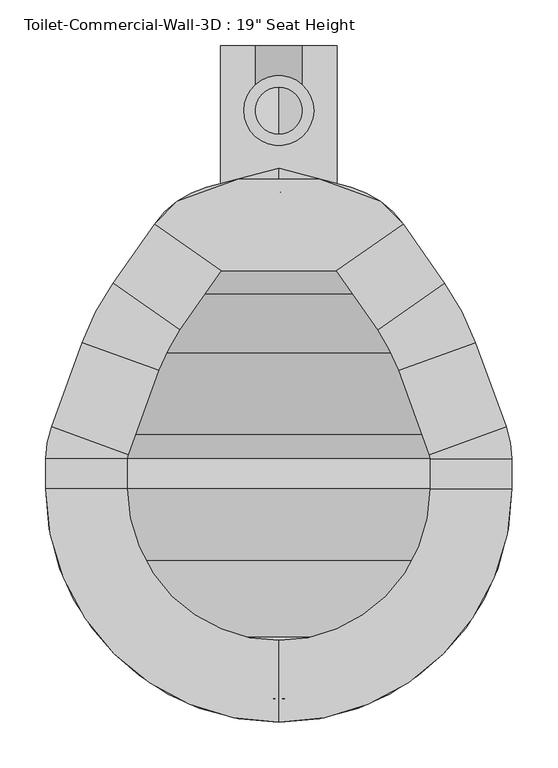
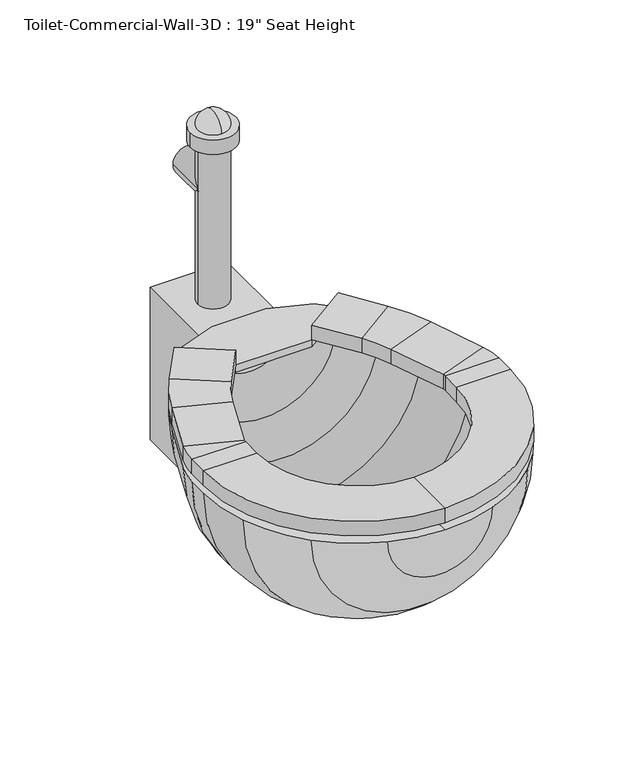
"""IFC4 building model written with IfcOpenShell, lengths in millimetres: flow terminal geometry."""

from ifc_helpers import new_model, si_unit, point, frame, frame_2d, origin, place, context, project, spatial, polyline, circle_curve, ellipse_curve, trimmed, segment, composite_curve, outline, extrude, source, transform, mapped, element, save
from ifc_brep_helpers import plane_surface, cylinder_surface, revolved_surface, advanced_brep


def flow_terminal_09af9000(model_context):
    return source(origin(), model_context, "Body", "SolidModel", [
        extrude(outline(polyline([(467.7541169, -397.4347495), (342.0521907, -397.4347495), (269.229574, -346.4438043), (294.1800557, -321.4933226), (360.2423986, -297.4485961), (449.563909, -297.4485961), (515.6262519, -321.4933226), (540.5767337, -346.4438043), (467.7541169, -397.4347495)])), frame((0.0, 0.0, 444.5), z_axis=(0.0, 0.0, 1.0), x_axis=(1.0, 0.0, 0.0)), (0.0, 0.0, 1.0), 12.7),
        advanced_brep(
        [(467.7541169, -397.4347495, 457.2), (467.7541169, -397.4347495, 482.6), (540.5767337, -346.4438043, 482.6), (540.5767337, -346.4438043, 457.2), (585.6810159, -410.8593951, 457.2), (512.8583992, -461.8503403, 457.2), (585.6810159, -410.8593951, 482.6), (512.8583992, -461.8503403, 482.6), (619.360053, -475.5562234, 457.2), (535.821379, -505.9618141, 457.2), (619.360053, -475.5562234, 482.6), (535.821379, -505.9618141, 482.6), (652.7759241, -567.3655747, 457.2), (569.2372501, -597.7711654, 457.2), (652.7759241, -567.3655747, 482.6), (569.2372501, -597.7711654, 482.6), (658.9031538, -602.1148212, 457.2), (570.0031538, -602.1148212, 457.2), (658.9031538, -602.1148212, 482.6), (570.0031538, -602.1148212, 482.6), (658.9031538, -635.0, 457.2), (570.0031538, -635.0, 457.2), (658.9031538, -635.0, 482.6), (570.0031538, -635.0, 482.6), (404.9031538, -889.0, 457.2), (404.9031538, -800.1, 457.2), (404.9031538, -889.0, 482.6), (404.9031538, -800.1, 482.6), (150.9031538, -635.0, 457.2), (239.8031538, -635.0, 457.2), (150.9031538, -635.0, 482.6), (239.8031538, -635.0, 482.6), (150.9031538, -602.1148212, 457.2), (239.8031538, -602.1148212, 457.2), (150.9031538, -602.1148212, 482.6), (239.8031538, -602.1148212, 482.6), (157.0303835, -567.3655747, 457.2), (240.5690575, -597.7711654, 457.2), (157.0303835, -567.3655747, 482.6), (240.5690575, -597.7711654, 482.6), (190.4462546, -475.5562234, 457.2), (273.9849286, -505.9618141, 457.2), (190.4462546, -475.5562234, 482.6), (273.9849286, -505.9618141, 482.6), (224.1252917, -410.8593951, 457.2), (296.9479084, -461.8503403, 457.2), (224.1252917, -410.8593951, 482.6), (296.9479084, -461.8503403, 482.6), (342.0521907, -397.4347495, 457.2), (269.229574, -346.4438043, 457.2), (269.229574, -346.4438043, 482.6), (342.0521907, -397.4347495, 482.6)],
        [
            (0, 1),
            (1, 2),
            (2, 3),
            (3, 0),
            (3, 4),
            (4, 5),
            (5, 0),
            (2, 6),
            (6, 4),
            (1, 7),
            (7, 6),
            (5, 7),
            (8, 9),
            (9, 5, circle_curve(frame((356.8099347, -571.1166514, 457.2), z_axis=(0.0, 0.0, 1.0), x_axis=(0.81915204428899, 0.5735764363510486, 0.0)), 190.5)),
            (4, 8, circle_curve(frame((356.8099347, -571.1166514, 457.2), z_axis=(0.0, 0.0, -1.0), x_axis=(0.81915204428899, 0.5735764363510486, 0.0)), 279.4)),
            (10, 8),
            (6, 10, circle_curve(frame((356.8099347, -571.1166514, 482.6), z_axis=(0.0, 0.0, -1.0), x_axis=(0.81915204428899, 0.5735764363510486, 0.0)), 279.4)),
            (11, 10),
            (7, 11, circle_curve(frame((356.8099347, -571.1166514, 482.6), z_axis=(0.0, 0.0, -1.0), x_axis=(0.81915204428899, 0.5735764363510486, 0.0)), 190.5)),
            (9, 11),
            (8, 12),
            (12, 13),
            (13, 9),
            (10, 14),
            (14, 12),
            (11, 15),
            (15, 14),
            (13, 15),
            (16, 17),
            (17, 13, circle_curve(frame((557.3031538, -602.1148212, 457.2), z_axis=(0.0, 0.0, 1.0), x_axis=(0.939692620785906, 0.34202014332567526, 0.0)), 12.7)),
            (12, 16, circle_curve(frame((557.3031538, -602.1148212, 457.2), z_axis=(0.0, 0.0, -1.0), x_axis=(0.939692620785906, 0.34202014332567526, 0.0)), 101.6)),
            (18, 16),
            (14, 18, circle_curve(frame((557.3031538, -602.1148212, 482.6), z_axis=(0.0, 0.0, -1.0), x_axis=(0.939692620785906, 0.34202014332567526, 0.0)), 101.6)),
            (19, 18),
            (15, 19, circle_curve(frame((557.3031538, -602.1148212, 482.6), z_axis=(0.0, 0.0, -1.0), x_axis=(0.939692620785906, 0.34202014332567526, 0.0)), 12.7)),
            (17, 19),
            (16, 20),
            (20, 21),
            (21, 17),
            (18, 22),
            (22, 20),
            (19, 23),
            (23, 22),
            (21, 23),
            (24, 25),
            (25, 21, circle_curve(frame((404.9031538, -635.0, 457.2), z_axis=(0.0, 0.0, 1.0), x_axis=(1.0, 0.0, 0.0)), 165.1)),
            (20, 24, circle_curve(frame((404.9031538, -635.0, 457.2), z_axis=(0.0, 0.0, -1.0), x_axis=(1.0, 0.0, 0.0)), 254.0)),
            (26, 24),
            (22, 26, circle_curve(frame((404.9031538, -635.0, 482.6), z_axis=(0.0, 0.0, -1.0), x_axis=(1.0, 0.0, 0.0)), 254.0)),
            (27, 26),
            (23, 27, circle_curve(frame((404.9031538, -635.0, 482.6), z_axis=(0.0, 0.0, -1.0), x_axis=(1.0, 0.0, 0.0)), 165.1)),
            (25, 27),
            (28, 29),
            (29, 25, circle_curve(frame((404.9031538, -635.0, 457.2), z_axis=(0.0, 0.0, 1.0), x_axis=(0.0, -1.0, 0.0)), 165.1)),
            (24, 28, circle_curve(frame((404.9031538, -635.0, 457.2), z_axis=(0.0, 0.0, -1.0), x_axis=(0.0, -1.0, 0.0)), 254.0)),
            (30, 28),
            (26, 30, circle_curve(frame((404.9031538, -635.0, 482.6), z_axis=(0.0, 0.0, -1.0), x_axis=(0.0, -1.0, 0.0)), 254.0)),
            (31, 30),
            (27, 31, circle_curve(frame((404.9031538, -635.0, 482.6), z_axis=(0.0, 0.0, -1.0), x_axis=(0.0, -1.0, 0.0)), 165.1)),
            (29, 31),
            (28, 32),
            (32, 33),
            (33, 29),
            (30, 34),
            (34, 32),
            (31, 35),
            (35, 34),
            (33, 35),
            (36, 37),
            (37, 33, circle_curve(frame((252.5031538, -602.1148212, 457.2), z_axis=(0.0, 0.0, 1.0), x_axis=(-1.0, 0.0, 0.0)), 12.7)),
            (32, 36, circle_curve(frame((252.5031538, -602.1148212, 457.2), z_axis=(0.0, 0.0, -1.0), x_axis=(-1.0, 0.0, 0.0)), 101.6)),
            (38, 36),
            (34, 38, circle_curve(frame((252.5031538, -602.1148212, 482.6), z_axis=(0.0, 0.0, -1.0), x_axis=(-1.0, 0.0, 0.0)), 101.6)),
            (39, 38),
            (35, 39, circle_curve(frame((252.5031538, -602.1148212, 482.6), z_axis=(0.0, 0.0, -1.0), x_axis=(-1.0, 0.0, 0.0)), 12.7)),
            (37, 39),
            (36, 40),
            (40, 41),
            (41, 37),
            (38, 42),
            (42, 40),
            (39, 43),
            (43, 42),
            (41, 43),
            (44, 45),
            (45, 41, circle_curve(frame((452.9963729, -571.1166514, 457.2), z_axis=(0.0, 0.0, 1.0), x_axis=(-0.9396926207859088, 0.34202014332566766, 0.0)), 190.5)),
            (40, 44, circle_curve(frame((452.9963729, -571.1166514, 457.2), z_axis=(0.0, 0.0, -1.0), x_axis=(-0.9396926207859088, 0.34202014332566766, 0.0)), 279.4)),
            (46, 44),
            (42, 46, circle_curve(frame((452.9963729, -571.1166514, 482.6), z_axis=(0.0, 0.0, -1.0), x_axis=(-0.9396926207859088, 0.34202014332566766, 0.0)), 279.4)),
            (47, 46),
            (43, 47, circle_curve(frame((452.9963729, -571.1166514, 482.6), z_axis=(0.0, 0.0, -1.0), x_axis=(-0.9396926207859088, 0.34202014332566766, 0.0)), 190.5)),
            (45, 47),
            (48, 49),
            (49, 50),
            (50, 51),
            (51, 48),
            (44, 49),
            (48, 45),
            (46, 50),
            (47, 51),
        ],
        [
            plane_surface(frame((540.5767337, -346.4438043, 541.2203184), z_axis=(-0.5735764363510383, 0.8191520442889972, 0.0), x_axis=(0.8191520442889972, 0.5735764363510383, 0.0))),
            plane_surface(frame((467.7541169, -397.4347495, 457.2), z_axis=(0.0, 0.0, -1.0000000000000002), x_axis=(0.5735764363510378, -0.8191520442889977, 0.0))),
            plane_surface(frame((540.5767337, -346.4438043, 457.2), z_axis=(0.8191520442889969, 0.5735764363510387, 0.0), x_axis=(0.5735764363510387, -0.8191520442889969, 0.0))),
            plane_surface(frame((540.5767337, -346.4438043, 482.6), z_axis=(0.0, 0.0, 1.0), x_axis=(0.5735764363510382, -0.8191520442889973, 0.0))),
            plane_surface(frame((467.7541169, -397.4347495, 482.6), z_axis=(-0.8191520442889973, -0.5735764363510382, 0.0), x_axis=(0.5735764363510382, -0.8191520442889973, 0.0))),
            plane_surface(frame((356.8099347, -571.1166514, 457.2), z_axis=(0.0, 0.0, -1.0), x_axis=(0.81915204428899, 0.5735764363510486, 0.0))),
            cylinder_surface(frame((356.8099347, -571.1166514, 444.5), z_axis=(0.0, 0.0, 1.0), x_axis=(0.81915204428899, 0.5735764363510486, 0.0)), 279.4),
            plane_surface(frame((356.8099347, -571.1166514, 482.6), z_axis=(0.0, 0.0, 1.0), x_axis=(0.81915204428899, 0.5735764363510486, 0.0))),
            revolved_surface(polyline([(512.8583991370526, -461.8503402751253, 482.6), (512.8583991370526, -461.8503402751253, 457.2)]), (356.8099347, -571.1166514, 444.5), (0.0, 0.0, 1.0)),
            plane_surface(frame((535.821379, -505.9618141, 457.2), z_axis=(0.0, 0.0, -1.0), x_axis=(0.34202014332566494, -0.9396926207859098, 0.0))),
            plane_surface(frame((619.360053, -475.5562234, 457.2), z_axis=(0.9396926207859094, 0.34202014332566594, 0.0), x_axis=(0.34202014332566594, -0.9396926207859094, 0.0))),
            plane_surface(frame((619.360053, -475.5562234, 482.6), z_axis=(0.0, 0.0, 1.0), x_axis=(0.34202014332566427, -0.93969262078591, 0.0))),
            plane_surface(frame((535.821379, -505.9618141, 482.6), z_axis=(-0.9396926207859093, -0.34202014332566644, 0.0), x_axis=(0.34202014332566644, -0.9396926207859093, 0.0))),
            plane_surface(frame((557.3031538, -602.1148212, 457.2), z_axis=(0.0, 0.0, -1.0), x_axis=(0.939692620785906, 0.34202014332567526, 0.0))),
            cylinder_surface(frame((557.3031538, -602.1148212, 444.5), z_axis=(0.0, 0.0, 1.0), x_axis=(0.939692620785906, 0.34202014332567526, 0.0)), 101.6),
            plane_surface(frame((557.3031538, -602.1148212, 482.6), z_axis=(0.0, 0.0, 1.0), x_axis=(0.939692620785906, 0.34202014332567526, 0.0))),
            revolved_surface(polyline([(569.237250083981, -597.7711653797639, 482.6), (569.237250083981, -597.7711653797639, 457.2)]), (557.3031538, -602.1148212, 444.5), (0.0, 0.0, 1.0)),
            plane_surface(frame((570.0031538, -602.1148212, 457.2), z_axis=(0.0, 0.0, -1.0), x_axis=(0.0, -1.0, 0.0))),
            plane_surface(frame((658.9031538, -602.1148212, 457.2), z_axis=(1.0, 0.0, 0.0), x_axis=(0.0, -1.0, 0.0))),
            plane_surface(frame((658.9031538, -602.1148212, 482.6), z_axis=(0.0, 0.0, 1.0), x_axis=(0.0, -1.0, 0.0))),
            plane_surface(frame((570.0031538, -602.1148212, 482.6), z_axis=(-1.0, 0.0, 0.0), x_axis=(0.0, -1.0, 0.0))),
            plane_surface(frame((404.9031538, -635.0, 457.2), z_axis=(0.0, 0.0, -1.0), x_axis=(1.0, 0.0, 0.0))),
            cylinder_surface(frame((404.9031538, -635.0, 444.5), z_axis=(0.0, 0.0, 1.0), x_axis=(1.0, 0.0, 0.0)), 254.0),
            plane_surface(frame((404.9031538, -635.0, 482.6), z_axis=(0.0, 0.0, 1.0), x_axis=(1.0, 0.0, 0.0))),
            revolved_surface(polyline([(570.0031538, -635.0, 482.6), (570.0031538, -635.0, 457.2)]), (404.9031538, -635.0, 444.5), (0.0, 0.0, 1.0)),
            plane_surface(frame((404.9031538, -635.0, 457.2), z_axis=(0.0, 0.0, -1.0), x_axis=(0.0, -1.0, 0.0))),
            cylinder_surface(frame((404.9031538, -635.0, 444.5), z_axis=(0.0, 0.0, 1.0), x_axis=(0.0, -1.0, 0.0)), 254.0),
            plane_surface(frame((404.9031538, -635.0, 482.6), z_axis=(0.0, 0.0, 1.0), x_axis=(0.0, -1.0, 0.0))),
            revolved_surface(polyline([(404.9031538, -800.1, 482.6), (404.9031538, -800.1, 457.2)]), (404.9031538, -635.0, 444.5), (0.0, 0.0, 1.0)),
            plane_surface(frame((239.8031538, -635.0, 457.2), z_axis=(0.0, 0.0, -1.0), x_axis=(0.0, 1.0, 0.0))),
            plane_surface(frame((150.9031538, -635.0, 457.2), z_axis=(-1.0, 0.0, 0.0), x_axis=(0.0, 1.0, 0.0))),
            plane_surface(frame((150.9031538, -635.0, 482.6), z_axis=(0.0, 0.0, 1.0), x_axis=(0.0, 1.0, 0.0))),
            plane_surface(frame((239.8031538, -635.0, 482.6), z_axis=(1.0, 0.0, 0.0), x_axis=(0.0, 1.0, 0.0))),
            plane_surface(frame((252.5031538, -602.1148212, 457.2), z_axis=(0.0, 0.0, -1.0), x_axis=(-1.0, 0.0, 0.0))),
            cylinder_surface(frame((252.5031538, -602.1148212, 444.5), z_axis=(0.0, 0.0, 1.0), x_axis=(-1.0, 0.0, 0.0)), 101.6),
            plane_surface(frame((252.5031538, -602.1148212, 482.6), z_axis=(0.0, 0.0, 1.0), x_axis=(-1.0, 0.0, 0.0))),
            revolved_surface(polyline([(239.80315380000002, -602.1148212, 482.6), (239.80315380000002, -602.1148212, 457.2)]), (252.5031538, -602.1148212, 444.5), (0.0, 0.0, 1.0)),
            plane_surface(frame((240.5690575, -597.7711654, 457.2), z_axis=(0.0, 0.0, -1.0), x_axis=(0.34202014332565595, 0.9396926207859131, 0.0))),
            plane_surface(frame((157.0303835, -567.3655747, 457.2), z_axis=(-0.9396926207859132, 0.34202014332565545, 0.0), x_axis=(0.34202014332565545, 0.9396926207859132, 0.0))),
            plane_surface(frame((157.0303835, -567.3655747, 482.6), z_axis=(0.0, 0.0, 1.0000000000000002), x_axis=(0.3420201433256561, 0.9396926207859131, 0.0))),
            plane_surface(frame((240.5690575, -597.7711654, 482.6), z_axis=(0.9396926207859132, -0.34202014332565567, 0.0), x_axis=(0.34202014332565567, 0.9396926207859132, 0.0))),
            plane_surface(frame((452.9963729, -571.1166514, 457.2), z_axis=(0.0, 0.0, -1.0), x_axis=(-0.9396926207859088, 0.34202014332566766, 0.0))),
            cylinder_surface(frame((452.9963729, -571.1166514, 444.5), z_axis=(0.0, 0.0, 1.0), x_axis=(-0.9396926207859088, 0.34202014332566766, 0.0)), 279.4),
            plane_surface(frame((452.9963729, -571.1166514, 482.6), z_axis=(0.0, 0.0, 1.0), x_axis=(-0.9396926207859088, 0.34202014332566766, 0.0))),
            revolved_surface(polyline([(273.98492864028435, -505.96181409646033, 482.6), (273.98492864028435, -505.96181409646033, 457.2)]), (452.9963729, -571.1166514, 444.5), (0.0, 0.0, 1.0)),
            plane_surface(frame((269.229574, -346.4438043, 347.7796816), z_axis=(0.5735764363510499, 0.8191520442889892, 0.0), x_axis=(0.8191520442889892, -0.5735764363510499, 0.0))),
            plane_surface(frame((296.9479084, -461.8503403, 457.2), z_axis=(0.0, 0.0, -1.0000000000000002), x_axis=(0.5735764363510494, 0.8191520442889896, 0.0))),
            plane_surface(frame((224.1252917, -410.8593951, 457.2), z_axis=(-0.819152044288989, 0.5735764363510502, 0.0), x_axis=(0.5735764363510502, 0.819152044288989, 0.0))),
            plane_surface(frame((224.1252917, -410.8593951, 482.6), z_axis=(0.0, 0.0, 1.0000000000000002), x_axis=(0.5735764363510502, 0.819152044288989, 0.0))),
            plane_surface(frame((296.9479084, -461.8503403, 482.6), z_axis=(0.8191520442889896, -0.5735764363510494, 0.0), x_axis=(0.5735764363510494, 0.8191520442889896, 0.0))),
        ],
        [
            (0, [[1, 2, 3, 4]]),
            (1, [[5, 6, 7, -4]]),
            (2, [[8, 9, -5, -3]]),
            (3, [[10, 11, -8, -2]]),
            (4, [[-7, 12, -10, -1]]),
            (5, [[13, 14, -6, 15]]),
            (6, [[16, -15, -9, 17]]),
            (7, [[18, -17, -11, 19]]),
            (8, [[20, -19, -12, -14]]),
            (9, [[21, 22, 23, -13]]),
            (10, [[24, 25, -21, -16]]),
            (11, [[26, 27, -24, -18]]),
            (12, [[-23, 28, -26, -20]]),
            (13, [[29, 30, -22, 31]]),
            (14, [[32, -31, -25, 33]]),
            (15, [[34, -33, -27, 35]]),
            (16, [[36, -35, -28, -30]]),
            (17, [[37, 38, 39, -29]]),
            (18, [[40, 41, -37, -32]]),
            (19, [[42, 43, -40, -34]]),
            (20, [[-39, 44, -42, -36]]),
            (21, [[45, 46, -38, 47]]),
            (22, [[48, -47, -41, 49]]),
            (23, [[50, -49, -43, 51]]),
            (24, [[52, -51, -44, -46]]),
            (25, [[53, 54, -45, 55]]),
            (26, [[56, -55, -48, 57]]),
            (27, [[58, -57, -50, 59]]),
            (28, [[60, -59, -52, -54]]),
            (29, [[61, 62, 63, -53]]),
            (30, [[64, 65, -61, -56]]),
            (31, [[66, 67, -64, -58]]),
            (32, [[-63, 68, -66, -60]]),
            (33, [[69, 70, -62, 71]]),
            (34, [[72, -71, -65, 73]]),
            (35, [[74, -73, -67, 75]]),
            (36, [[76, -75, -68, -70]]),
            (37, [[77, 78, 79, -69]]),
            (38, [[80, 81, -77, -72]]),
            (39, [[82, 83, -80, -74]]),
            (40, [[-79, 84, -82, -76]]),
            (41, [[85, 86, -78, 87]]),
            (42, [[88, -87, -81, 89]]),
            (43, [[90, -89, -83, 91]]),
            (44, [[92, -91, -84, -86]]),
            (45, [[93, 94, 95, 96]]),
            (46, [[97, -93, 98, -85]]),
            (47, [[99, -94, -97, -88]]),
            (48, [[100, -95, -99, -90]]),
            (49, [[-98, -96, -100, -92]]),
        ],
    ),
        advanced_brep(
        [(491.7762702, -873.6819257, 444.5), (584.5082762, -814.6051224, 444.5), (643.5850795, -721.8731164, 444.5), (658.9031538, -635.0, 444.5), (658.9031538, -602.1148212, 444.5), (652.7759241, -567.3655747, 444.5), (619.360053, -475.5562234, 444.5), (585.6810159, -410.8593951, 444.5), (540.5767337, -346.4438043, 444.5), (483.6469009, -306.5811063, 444.5), (404.9031538, -285.4817829, 444.5), (404.9031538, -311.7777978, 444.5), (468.1430637, -328.7228806, 444.5), (525.0728964, -368.5855786, 444.5), (562.9565296, -422.6890139, 444.5), (596.6355667, -487.3858422, 444.5), (628.9077315, -576.0528863, 444.5), (633.5031538, -602.1148212, 444.5), (633.5031538, -635.0, 444.5), (619.7168869, -713.1858048, 444.5), (566.547764, -796.6446102, 444.5), (483.0889586, -849.8137331, 444.5), (404.9031538, -863.6, 444.5), (404.9031538, -889.0, 444.5), (318.0300374, -873.6819257, 444.5), (326.7173491, -849.8137331, 444.5), (243.2585436, -796.6446102, 444.5), (190.0894207, -713.1858048, 444.5), (176.3031538, -635.0, 444.5), (176.3031538, -602.1148212, 444.5), (180.8985761, -576.0528863, 444.5), (213.1707409, -487.3858422, 444.5), (246.849778, -422.6890139, 444.5), (284.7334112, -368.5855786, 444.5), (341.663244, -328.7228806, 444.5), (326.1594067, -306.5811063, 444.5), (269.229574, -346.4438043, 444.5), (224.1252917, -410.8593951, 444.5), (190.4462546, -475.5562234, 444.5), (157.0303835, -567.3655747, 444.5), (150.9031538, -602.1148212, 444.5), (150.9031538, -635.0, 444.5), (166.2212281, -721.8731164, 444.5), (225.2980314, -814.6051224, 444.5)],
        [
            (0, 1, circle_curve(frame((404.9031538, -635.0, 444.5), z_axis=(0.0, 0.0, 1.0), x_axis=(1.0, 0.0, 0.0)), 254.0)),
            (1, 2, circle_curve(frame((404.9031538, -635.0, 444.5), z_axis=(0.0, 0.0, 1.0), x_axis=(1.0, 0.0, 0.0)), 254.0)),
            (2, 3, circle_curve(frame((404.9031538, -635.0, 444.5), z_axis=(0.0, 0.0, 1.0), x_axis=(1.0, 0.0, 0.0)), 254.0)),
            (3, 4),
            (4, 5, circle_curve(frame((557.3031538, -602.1148212, 444.5), z_axis=(0.0, 0.0, 1.0), x_axis=(1.0, 0.0, 0.0)), 101.6)),
            (5, 6),
            (6, 7, circle_curve(frame((356.8099347, -571.1166514, 444.5), z_axis=(0.0, 0.0, 1.0), x_axis=(1.0, 0.0, 0.0)), 279.4)),
            (7, 8),
            (8, 9, circle_curve(frame((457.350886, -404.7191703, 444.5), z_axis=(0.0, 0.0, 1.0), x_axis=(1.0, 0.0, 0.0)), 101.6)),
            (9, 10),
            (10, 11),
            (11, 12),
            (12, 13, circle_curve(frame((441.8470487, -426.8609446, 444.5), z_axis=(0.0, 0.0, -1.0), x_axis=(1.0, 0.0, 0.0)), 101.6)),
            (13, 14),
            (14, 15, circle_curve(frame((334.0854485, -582.9462703, 444.5), z_axis=(0.0, 0.0, -1.0), x_axis=(1.0, 0.0, 0.0)), 279.4)),
            (15, 16),
            (16, 17, circle_curve(frame((557.3031538, -602.1148212, 444.5), z_axis=(0.0, 0.0, -1.0), x_axis=(1.0, 0.0, 0.0)), 76.2)),
            (17, 18),
            (18, 19, circle_curve(frame((404.9031538, -635.0, 444.5), z_axis=(0.0, 0.0, -1.0), x_axis=(1.0, 0.0, 0.0)), 228.6)),
            (19, 20, circle_curve(frame((404.9031538, -635.0, 444.5), z_axis=(0.0, 0.0, -1.0), x_axis=(1.0, 0.0, 0.0)), 228.6)),
            (20, 21, circle_curve(frame((404.9031538, -635.0, 444.5), z_axis=(0.0, 0.0, -1.0), x_axis=(1.0, 0.0, 0.0)), 228.6)),
            (21, 22, circle_curve(frame((404.9031538, -635.0, 444.5), z_axis=(0.0, 0.0, -1.0), x_axis=(1.0, 0.0, 0.0)), 228.6)),
            (22, 23),
            (23, 0, circle_curve(frame((404.9031538, -635.0, 444.5), z_axis=(0.0, 0.0, 1.0), x_axis=(1.0, 0.0, 0.0)), 254.0)),
            (24, 23, circle_curve(frame((404.9031538, -635.0, 444.5), z_axis=(0.0, 0.0, 1.0), x_axis=(-1.0, 0.0, 0.0)), 254.0)),
            (22, 25, circle_curve(frame((404.9031538, -635.0, 444.5), z_axis=(0.0, 0.0, -1.0), x_axis=(-1.0, 0.0, 0.0)), 228.6)),
            (25, 26, circle_curve(frame((404.9031538, -635.0, 444.5), z_axis=(0.0, 0.0, -1.0), x_axis=(-1.0, 0.0, 0.0)), 228.6)),
            (26, 27, circle_curve(frame((404.9031538, -635.0, 444.5), z_axis=(0.0, 0.0, -1.0), x_axis=(-1.0, 0.0, 0.0)), 228.6)),
            (27, 28, circle_curve(frame((404.9031538, -635.0, 444.5), z_axis=(0.0, 0.0, -1.0), x_axis=(-1.0, 0.0, 0.0)), 228.6)),
            (28, 29),
            (29, 30, circle_curve(frame((252.5031538, -602.1148212, 444.5), z_axis=(0.0, 0.0, -1.0), x_axis=(-1.0, 0.0, 0.0)), 76.2)),
            (30, 31),
            (31, 32, circle_curve(frame((475.7208592, -582.9462703, 444.5), z_axis=(0.0, 0.0, -1.0), x_axis=(-1.0, 0.0, 0.0)), 279.4)),
            (32, 33),
            (33, 34, circle_curve(frame((367.9592589, -426.8609446, 444.5), z_axis=(0.0, 0.0, -1.0), x_axis=(-1.0, 0.0, 0.0)), 101.6)),
            (34, 11),
            (10, 35),
            (35, 36, circle_curve(frame((352.4554217, -404.7191703, 444.5), z_axis=(0.0, 0.0, 1.0), x_axis=(-1.0, 0.0, 0.0)), 101.6)),
            (36, 37),
            (37, 38, circle_curve(frame((452.9963729, -571.1166514, 444.5), z_axis=(0.0, 0.0, 1.0), x_axis=(-1.0, 0.0, 0.0)), 279.4)),
            (38, 39),
            (39, 40, circle_curve(frame((252.5031538, -602.1148212, 444.5), z_axis=(0.0, 0.0, 1.0), x_axis=(-1.0, 0.0, 0.0)), 101.6)),
            (40, 41),
            (41, 42, circle_curve(frame((404.9031538, -635.0, 444.5), z_axis=(0.0, 0.0, 1.0), x_axis=(-1.0, 0.0, 0.0)), 254.0)),
            (42, 43, circle_curve(frame((404.9031538, -635.0, 444.5), z_axis=(0.0, 0.0, 1.0), x_axis=(-1.0, 0.0, 0.0)), 254.0)),
            (43, 24, circle_curve(frame((404.9031538, -635.0, 444.5), z_axis=(0.0, 0.0, 1.0), x_axis=(-1.0, 0.0, 0.0)), 254.0)),
            (24, 0, circle_curve(frame((404.9031538, -873.6819257, 444.5), z_axis=(0.0, -1.0, 0.0), x_axis=(1.0, 0.0, 0.0)), 86.8731164)),
            (21, 25, circle_curve(frame((404.9031538, -849.8137331, 444.5), z_axis=(0.0, 1.0, 0.0), x_axis=(1.0, 0.0, 0.0)), 78.1858048)),
            (20, 26, circle_curve(frame((404.9031538, -796.6446102, 444.5), z_axis=(0.0, 1.0, 0.0), x_axis=(1.0, 0.0, 0.0)), 161.6446102)),
            (19, 27, circle_curve(frame((404.9031538, -713.1858048, 444.5), z_axis=(0.0, 1.0, 0.0), x_axis=(1.0, 0.0, 0.0)), 214.8137331)),
            (18, 28, circle_curve(frame((404.9031538, -635.0, 444.5), z_axis=(0.0, 1.0, 0.0), x_axis=(1.0, 0.0, 0.0)), 228.6)),
            (17, 29, circle_curve(frame((404.9031538, -602.1148212, 444.5), z_axis=(0.0, 1.0, 0.0), x_axis=(1.0, 0.0, 0.0)), 228.6)),
            (16, 30, circle_curve(frame((404.9031538, -576.0528863, 444.5), z_axis=(0.0, 1.0, 0.0), x_axis=(1.0, 0.0, 0.0)), 224.0045777)),
            (15, 31, circle_curve(frame((404.9031538, -487.3858422, 444.5), z_axis=(0.0, 1.0, 0.0), x_axis=(1.0, 0.0, 0.0)), 191.7324129)),
            (14, 32, circle_curve(frame((404.9031538, -422.6890139, 444.5), z_axis=(0.0, 1.0, 0.0), x_axis=(1.0, 0.0, 0.0)), 158.0533758)),
            (13, 33, circle_curve(frame((404.9031538, -368.5855786, 444.5), z_axis=(0.0, 1.0, 0.0), x_axis=(1.0, 0.0, 0.0)), 120.1697426)),
            (12, 34, circle_curve(frame((404.9031538, -328.7228806, 444.5), z_axis=(0.0, 1.0, 0.0), x_axis=(1.0, 0.0, 0.0)), 63.2399099)),
            (9, 35, circle_curve(frame((404.9031538, -306.5811063, 444.5), z_axis=(0.0, 1.0, 0.0), x_axis=(1.0, 0.0, 0.0)), 78.7437471)),
            (8, 36, circle_curve(frame((404.9031538, -346.4438043, 444.5), z_axis=(0.0, 1.0, 0.0), x_axis=(1.0, 0.0, 0.0)), 135.6735798)),
            (7, 37, circle_curve(frame((404.9031538, -410.8593951, 444.5), z_axis=(0.0, 1.0, 0.0), x_axis=(1.0, 0.0, 0.0)), 180.7778621)),
            (6, 38, circle_curve(frame((404.9031538, -475.5562234, 444.5), z_axis=(0.0, 1.0, 0.0), x_axis=(1.0, 0.0, 0.0)), 214.4568992)),
            (5, 39, circle_curve(frame((404.9031538, -567.3655747, 444.5), z_axis=(0.0, 1.0, 0.0), x_axis=(1.0, 0.0, 0.0)), 247.8727703)),
            (4, 40, circle_curve(frame((404.9031538, -602.1148212, 444.5), z_axis=(0.0, 1.0, 0.0), x_axis=(1.0, 0.0, 0.0)), 254.0)),
            (3, 41, circle_curve(frame((404.9031538, -635.0, 444.5), z_axis=(0.0, 1.0, 0.0), x_axis=(1.0, 0.0, 0.0)), 254.0)),
            (2, 42, circle_curve(frame((404.9031538, -721.8731164, 444.5), z_axis=(0.0, 1.0, 0.0), x_axis=(1.0, 0.0, 0.0)), 238.6819257)),
            (1, 43, circle_curve(frame((404.9031538, -814.6051224, 444.5), z_axis=(0.0, 1.0, 0.0), x_axis=(1.0, 0.0, 0.0)), 179.6051224)),
        ],
        [
            plane_surface(frame((404.9031538, -994.2102448, 444.5), z_axis=(0.0, 0.0, 1.0), x_axis=(1.0, 0.0, 0.0))),
            plane_surface(frame((404.9031538, -994.2102448, 444.5), z_axis=(0.0, 0.0, 1.0), x_axis=(-1.0, 0.0, 0.0))),
            revolved_surface(trimmed(ellipse_curve(frame((404.9031538, -635.0, 444.5), z_axis=(0.0, 0.0, -1.0), x_axis=(1.0, 0.0, 0.0)), 254.0, 254.0), [point((491.7762702, -873.6819257, 444.5))], [point((404.9031538, -889.0, 444.5))], True, "CARTESIAN"), (404.9031538, -994.2102448, 444.5), (0.0, -1.0, 0.0)),
            revolved_surface(trimmed(ellipse_curve(frame((404.9031538, -635.0, 444.5), z_axis=(0.0, 0.0, 1.0), x_axis=(1.0, 0.0, 0.0)), 228.6, 228.6), [point((404.9031538, -863.6, 444.5))], [point((483.0889586, -849.8137331, 444.5))], True, "CARTESIAN"), (404.9031538, -994.2102448, 444.5), (0.0, -1.0, 0.0)),
            revolved_surface(trimmed(ellipse_curve(frame((404.9031538, -635.0, 444.5), z_axis=(0.0, 0.0, 1.0), x_axis=(1.0, 0.0, 0.0)), 228.6, 228.6), [point((483.0889586, -849.8137331, 444.5))], [point((566.547764, -796.6446102, 444.5))], True, "CARTESIAN"), (404.9031538, -994.2102448, 444.5), (0.0, -1.0, 0.0)),
            revolved_surface(trimmed(ellipse_curve(frame((404.9031538, -635.0, 444.5), z_axis=(0.0, 0.0, 1.0), x_axis=(1.0, 0.0, 0.0)), 228.6, 228.6), [point((566.547764, -796.6446102, 444.5))], [point((619.7168869, -713.1858048, 444.5))], True, "CARTESIAN"), (404.9031538, -994.2102448, 444.5), (0.0, -1.0, 0.0)),
            revolved_surface(trimmed(ellipse_curve(frame((404.9031538, -635.0, 444.5), z_axis=(0.0, 0.0, 1.0), x_axis=(1.0, 0.0, 0.0)), 228.6, 228.6), [point((619.7168869, -713.1858048, 444.5))], [point((633.5031538, -635.0, 444.5))], True, "CARTESIAN"), (404.9031538, -994.2102448, 444.5), (0.0, -1.0, 0.0)),
            revolved_surface(polyline([(633.5031538, -635.0, 444.5), (633.5031538, -602.1148212, 444.5)]), (404.9031538, -994.2102448, 444.5), (0.0, -1.0, 0.0)),
            revolved_surface(trimmed(ellipse_curve(frame((557.3031538, -602.1148212, 444.5), z_axis=(0.0, 0.0, 1.0), x_axis=(1.0, 0.0, 0.0)), 76.2, 76.2), [point((633.5031538, -602.1148212, 444.5))], [point((628.9077315, -576.0528863, 444.5))], True, "CARTESIAN"), (404.9031538, -994.2102448, 444.5), (0.0, -1.0, 0.0)),
            revolved_surface(polyline([(628.9077315, -576.0528863, 444.5), (596.6355667, -487.3858422, 444.5)]), (404.9031538, -994.2102448, 444.5), (0.0, -1.0, 0.0)),
            revolved_surface(trimmed(ellipse_curve(frame((334.0854485, -582.9462703, 444.5), z_axis=(0.0, 0.0, 1.0), x_axis=(1.0, 0.0, 0.0)), 279.4, 279.4), [point((596.6355667, -487.3858422, 444.5))], [point((562.9565296, -422.6890139, 444.5))], True, "CARTESIAN"), (404.9031538, -994.2102448, 444.5), (0.0, -1.0, 0.0)),
            revolved_surface(polyline([(562.9565296, -422.6890139, 444.5), (525.0728964, -368.5855786, 444.5)]), (404.9031538, -994.2102448, 444.5), (0.0, -1.0, 0.0)),
            revolved_surface(trimmed(ellipse_curve(frame((441.8470487, -426.8609446, 444.5), z_axis=(0.0, 0.0, 1.0), x_axis=(1.0, 0.0, 0.0)), 101.6, 101.6), [point((525.0728964, -368.5855786, 444.5))], [point((468.1430637, -328.7228806, 444.5))], True, "CARTESIAN"), (404.9031538, -994.2102448, 444.5), (0.0, -1.0, 0.0)),
            revolved_surface(polyline([(468.1430637, -328.7228806, 444.5), (404.9031538, -311.7777978, 444.5)]), (404.9031538, -994.2102448, 444.5), (0.0, -1.0, 0.0)),
            revolved_surface(polyline([(404.9031538, -285.4817829, 444.5), (483.6469009, -306.5811063, 444.5)]), (404.9031538, -994.2102448, 444.5), (0.0, -1.0, 0.0)),
            revolved_surface(trimmed(ellipse_curve(frame((457.350886, -404.7191703, 444.5), z_axis=(0.0, 0.0, -1.0), x_axis=(1.0, 0.0, 0.0)), 101.6, 101.6), [point((483.6469009, -306.5811063, 444.5))], [point((540.5767337, -346.4438043, 444.5))], True, "CARTESIAN"), (404.9031538, -994.2102448, 444.5), (0.0, -1.0, 0.0)),
            revolved_surface(polyline([(540.5767337, -346.4438043, 444.5), (585.6810159, -410.8593951, 444.5)]), (404.9031538, -994.2102448, 444.5), (0.0, -1.0, 0.0)),
            revolved_surface(trimmed(ellipse_curve(frame((356.8099347, -571.1166514, 444.5), z_axis=(0.0, 0.0, -1.0), x_axis=(1.0, 0.0, 0.0)), 279.4, 279.4), [point((585.6810159, -410.8593951, 444.5))], [point((619.360053, -475.5562234, 444.5))], True, "CARTESIAN"), (404.9031538, -994.2102448, 444.5), (0.0, -1.0, 0.0)),
            revolved_surface(polyline([(619.360053, -475.5562234, 444.5), (652.7759241, -567.3655747, 444.5)]), (404.9031538, -994.2102448, 444.5), (0.0, -1.0, 0.0)),
            revolved_surface(trimmed(ellipse_curve(frame((557.3031538, -602.1148212, 444.5), z_axis=(0.0, 0.0, -1.0), x_axis=(1.0, 0.0, 0.0)), 101.6, 101.6), [point((652.7759241, -567.3655747, 444.5))], [point((658.9031538, -602.1148212, 444.5))], True, "CARTESIAN"), (404.9031538, -994.2102448, 444.5), (0.0, -1.0, 0.0)),
            cylinder_surface(frame((404.9031538, -994.2102448, 444.5), z_axis=(0.0, -1.0, 0.0), x_axis=(1.0, 0.0, 0.0)), 254.0),
            revolved_surface(trimmed(ellipse_curve(frame((404.9031538, -635.0, 444.5), z_axis=(0.0, 0.0, -1.0), x_axis=(1.0, 0.0, 0.0)), 254.0, 254.0), [point((658.9031538, -635.0, 444.5))], [point((643.5850795, -721.8731164, 444.5))], True, "CARTESIAN"), (404.9031538, -994.2102448, 444.5), (0.0, -1.0, 0.0)),
            revolved_surface(trimmed(ellipse_curve(frame((404.9031538, -635.0, 444.5), z_axis=(0.0, 0.0, -1.0), x_axis=(1.0, 0.0, 0.0)), 254.0, 254.0), [point((643.5850795, -721.8731164, 444.5))], [point((584.5082762, -814.6051224, 444.5))], True, "CARTESIAN"), (404.9031538, -994.2102448, 444.5), (0.0, -1.0, 0.0)),
            revolved_surface(trimmed(ellipse_curve(frame((404.9031538, -635.0, 444.5), z_axis=(0.0, 0.0, -1.0), x_axis=(1.0, 0.0, 0.0)), 254.0, 254.0), [point((584.5082762, -814.6051224, 444.5))], [point((491.7762702, -873.6819257, 444.5))], True, "CARTESIAN"), (404.9031538, -994.2102448, 444.5), (0.0, -1.0, 0.0)),
        ],
        [
            (0, [[1, 2, 3, 4, 5, 6, 7, 8, 9, 10, 11, 12, 13, 14, 15, 16, 17, 18, 19, 20, 21, 22, 23, 24]]),
            (1, [[25, -23, 26, 27, 28, 29, 30, 31, 32, 33, 34, 35, 36, -11, 37, 38, 39, 40, 41, 42, 43, 44, 45, 46]]),
            (2, [[-25, 47, -24]]),
            (3, [[-26, -22, 48]]),
            (4, [[-27, -48, -21, 49]]),
            (5, [[-28, -49, -20, 50]]),
            (6, [[-29, -50, -19, 51]]),
            (7, [[-30, -51, -18, 52]]),
            (8, [[-31, -52, -17, 53]]),
            (9, [[-32, -53, -16, 54]]),
            (10, [[-33, -54, -15, 55]]),
            (11, [[-34, -55, -14, 56]]),
            (12, [[-35, -56, -13, 57]]),
            (13, [[-36, -57, -12]]),
            (14, [[-37, -10, 58]]),
            (15, [[-38, -58, -9, 59]]),
            (16, [[-39, -59, -8, 60]]),
            (17, [[-40, -60, -7, 61]]),
            (18, [[-41, -61, -6, 62]]),
            (19, [[-42, -62, -5, 63]]),
            (20, [[-43, -63, -4, 64]]),
            (21, [[-44, -64, -3, 65]]),
            (22, [[-45, -65, -2, 66]]),
            (23, [[-46, -66, -1, -47]]),
        ],
    ),
        advanced_brep(
        [(404.9031538, -197.3176912, 749.3), (404.9031538, -222.9352737, 774.9175826), (404.9031538, -248.5528563, 749.3), (404.9031538, -222.9352737, 749.3)],
        [
            (0, 1, circle_curve(frame((404.9031538, -222.9352737, 749.3), z_axis=(1.0, 0.0, 0.0), x_axis=(0.0, -1.0, 0.0)), 25.6175826)),
            (1, 2, circle_curve(frame((404.9031538, -222.9352737, 749.3), z_axis=(1.0, 0.0, 0.0), x_axis=(0.0, 1.0, 0.0)), 25.6175826)),
            (2, 0, circle_curve(frame((404.9031538, -222.9352737, 749.3), z_axis=(0.0, 0.0, 1.0), x_axis=(0.0, -1.0, 0.0)), 25.6175826)),
            (0, 2, circle_curve(frame((404.9031538, -222.9352737, 749.3), z_axis=(0.0, 0.0, 1.0), x_axis=(0.0, -1.0, 0.0)), 25.6175826)),
            (3, 0),
            (2, 3),
        ],
        [
            revolved_surface(trimmed(ellipse_curve(frame((404.9031538, -222.9352737, 749.3), z_axis=(1.0, 0.0, 0.0), x_axis=(0.0, 1.0, 0.0)), 25.6175826, 25.6175826), [point((404.9031538, -222.9352737, 774.9175826))], [point((404.9031538, -248.5528563, 749.3))], True, "CARTESIAN"), (404.9031538, -222.9352737, 813.9277273), (0.0, 0.0, -1.0)),
            plane_surface(frame((404.9031538, -222.9352737, 749.3), z_axis=(0.0, 0.0, -1.0), x_axis=(0.0, -1.0, 0.0))),
        ],
        [
            (0, [[1, 2, 3]]),
            (0, [[-2, -1, 4]]),
            (1, [[5, -3, 6]]),
            (1, [[-6, -4, -5]]),
        ],
    ),
        extrude(outline(composite_curve([segment(trimmed(circle_curve(frame_2d((404.9031538, -222.9352737)), 38.1), [point((366.8031538, -222.9352737))], [point((443.0031538, -222.9352737))], False, "CARTESIAN"), True, "CONTINUOUS"), segment(trimmed(circle_curve(frame_2d((404.9031538, -222.9352737)), 38.1), [point((443.0031538, -222.9352737))], [point((366.8031538, -222.9352737))], False, "CARTESIAN"), True, "CONTINUOUS")], self_intersect=False)), frame((0.0, 0.0, 723.9), z_axis=(0.0, 0.0, 1.0), x_axis=(1.0, 0.0, 0.0)), (0.0, 0.0, 1.0), 25.4),
        extrude(outline(composite_curve([segment(trimmed(circle_curve(frame_2d((645.8113641, 404.9031538)), 25.4), [point((645.8113641, 379.5031538))], [point((645.8113641, 430.3031538))], False, "CARTESIAN"), True, "CONTINUOUS"), segment(trimmed(circle_curve(frame_2d((645.8113641, 404.9031538)), 25.4), [point((645.8113641, 430.3031538))], [point((645.8113641, 379.5031538))], False, "CARTESIAN"), True, "CONTINUOUS")], self_intersect=False)), frame((0.0, -223.04375, 0.0), z_axis=(0.0, 1.0, 0.0), x_axis=(0.0, 0.0, 1.0)), (0.0, 0.0, 1.0), 70.64375),
        extrude(outline(composite_curve([segment(trimmed(circle_curve(frame_2d((404.9031538, -222.9352737)), 25.4), [point((379.5031538, -222.9352737))], [point((430.3031538, -222.9352737))], False, "CARTESIAN"), True, "CONTINUOUS"), segment(trimmed(circle_curve(frame_2d((404.9031538, -222.9352737)), 25.4), [point((430.3031538, -222.9352737))], [point((379.5031538, -222.9352737))], False, "CARTESIAN"), True, "CONTINUOUS")], self_intersect=False)), frame((0.0, 0.0, 444.5), z_axis=(0.0, 0.0, 1.0), x_axis=(1.0, 0.0, 0.0)), (0.0, 0.0, 1.0), 279.4),
        extrude(outline(polyline([(-305.2037941, 444.5), (-152.4, 444.5), (-152.4, 177.8), (-372.4454017, 177.8), (-452.9426282, 235.6328588), (-348.9103185, 308.4770663), (-305.2037941, 370.896452), (-305.2037941, 444.5)])), frame((341.4031538, 0.0, 0.0), z_axis=(1.0, 0.0, 0.0), x_axis=(0.0, 1.0, 0.0)), (0.0, 0.0, 1.0), 127.0),
    ])


if __name__ == "__main__":
    model = new_model("IFC4")
    model_context = context("Model", 3, world=origin())
    ifc_project = project(units=[si_unit("LENGTHUNIT", "METRE", prefix="MILLI")], contexts=[model_context])
    site = spatial("IfcSite", under=ifc_project)
    building = spatial("IfcBuilding", under=site)
    placement = place(None, origin())
    flow_terminal_shape = flow_terminal_09af9000(model_context)
    element("IfcFlowTerminal", 1, ObjectType="Toilet-Commercial-Wall-3D : 19\" Seat Height", at=placement, inside=building, context=model_context, shape_type="MappedRepresentation", body=[
        mapped(flow_terminal_shape, transform((0.0, 0.0, 0.0), x_axis=(1.0, 0.0, 0.0), y_axis=(0.0, 1.0, 0.0), z_axis=(0.0, 0.0, 1.0))),
    ])
    save(model, "model.ifc")
